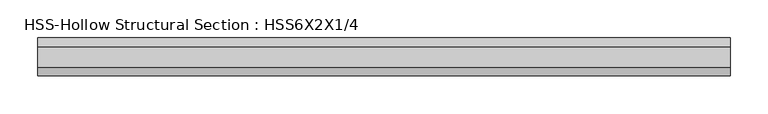
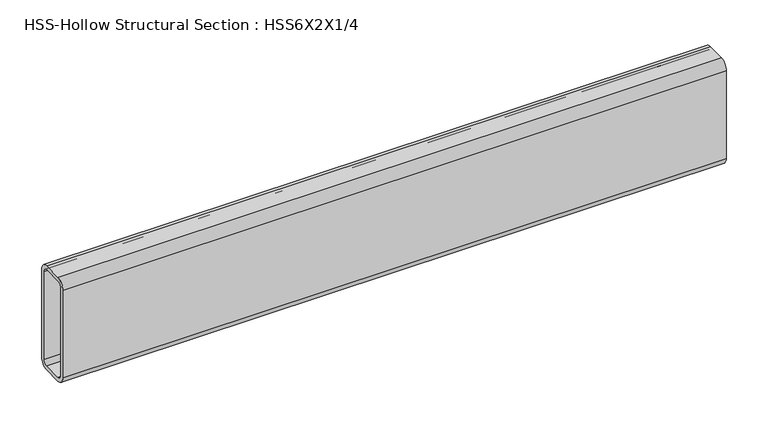
"""IFC4 building model written with IfcOpenShell, lengths in millimetres: beam geometry, HSS-Hollow Structural Section : HSS6X2X1/4."""

from ifc_helpers import new_model, si_unit, point, frame, frame_2d, origin, place, context, project, spatial, polyline, circle_curve, trimmed, segment, composite_curve, outline, extrude, source, transform, mapped, element, save


def hss_hollow_structural_section_hss6x2x1_4_5926f56a(model_context):
    return source(origin(), model_context, "Body", "SweptSolid", [
        extrude(outline(composite_curve([segment(polyline([(25.4, 64.3636), (25.4, -64.3636)]), True, "CONTINUOUS"), segment(trimmed(circle_curve(frame_2d((13.5636, -64.3636)), 11.8364), [point((25.4, -64.3636))], [point((13.5636, -76.2))], False, "CARTESIAN"), True, "CONTINUOUS"), segment(polyline([(13.5636, -76.2), (-13.5636, -76.2)]), True, "CONTINUOUS"), segment(trimmed(circle_curve(frame_2d((-13.5636, -64.3636)), 11.8364), [point((-13.5636, -76.2))], [point((-25.4, -64.3636))], False, "CARTESIAN"), True, "CONTINUOUS"), segment(polyline([(-25.4, -64.3636), (-25.4, 64.3636)]), True, "CONTINUOUS"), segment(trimmed(circle_curve(frame_2d((-13.5636, 64.3636)), 11.8364), [point((-25.4, 64.3636))], [point((-13.5636, 76.2))], False, "CARTESIAN"), True, "CONTINUOUS"), segment(polyline([(-13.5636, 76.2), (13.5636, 76.2)]), True, "CONTINUOUS"), segment(trimmed(circle_curve(frame_2d((13.5636, 64.3636)), 11.8364), [point((13.5636, 76.2))], [point((25.4, 64.3636))], False, "CARTESIAN"), True, "CONTINUOUS")], self_intersect=False), holes=[composite_curve([segment(trimmed(circle_curve(frame_2d((-13.5636, 64.3636)), 5.9182), [point((-13.5636, 70.2818))], [point((-19.4818, 64.3636))], True, "CARTESIAN"), True, "CONTINUOUS"), segment(polyline([(-19.4818, 64.3636), (-19.4818, -64.3636)]), True, "CONTINUOUS"), segment(trimmed(circle_curve(frame_2d((-13.5636, -64.3636)), 5.9182), [point((-19.4818, -64.3636))], [point((-13.5636, -70.2818))], True, "CARTESIAN"), True, "CONTINUOUS"), segment(polyline([(-13.5636, -70.2818), (13.5636, -70.2818)]), True, "CONTINUOUS"), segment(trimmed(circle_curve(frame_2d((13.5636, -64.3636)), 5.9182), [point((13.5636, -70.2818))], [point((19.4818, -64.3636))], True, "CARTESIAN"), True, "CONTINUOUS"), segment(polyline([(19.4818, -64.3636), (19.4818, 64.3636)]), True, "CONTINUOUS"), segment(trimmed(circle_curve(frame_2d((13.5636, 64.3636)), 5.9182), [point((19.4818, 64.3636))], [point((13.5636, 70.2818))], True, "CARTESIAN"), True, "CONTINUOUS"), segment(polyline([(13.5636, 70.2818), (-13.5636, 70.2818)]), True, "CONTINUOUS")], self_intersect=False)]), frame((-459.4199454, 0.0, 0.0), z_axis=(1.0, 0.0, 0.0), x_axis=(0.0, 1.0, 0.0)), (0.0, 0.0, 1.0), 918.8398908),
    ])


if __name__ == "__main__":
    model = new_model("IFC4")
    model_context = context("Model", 3, world=origin())
    ifc_project = project(units=[si_unit("LENGTHUNIT", "METRE", prefix="MILLI")], contexts=[model_context])
    site = spatial("IfcSite", under=ifc_project)
    building = spatial("IfcBuilding", under=site)
    placement = place(None, origin())
    hss_hollow_structural_section_hss6x2x1_4_shape = hss_hollow_structural_section_hss6x2x1_4_5926f56a(model_context)
    element("IfcBeam", 1, ObjectType="HSS-Hollow Structural Section : HSS6X2X1/4", at=placement, inside=building, context=model_context, shape_type="MappedRepresentation", body=[
        mapped(hss_hollow_structural_section_hss6x2x1_4_shape, transform((0.0, 0.0, 0.0), x_axis=(1.0, 0.0, 0.0), y_axis=(0.0, 1.0, 0.0), z_axis=(0.0, 0.0, 1.0))),
    ])
    save(model, "model.ifc")
